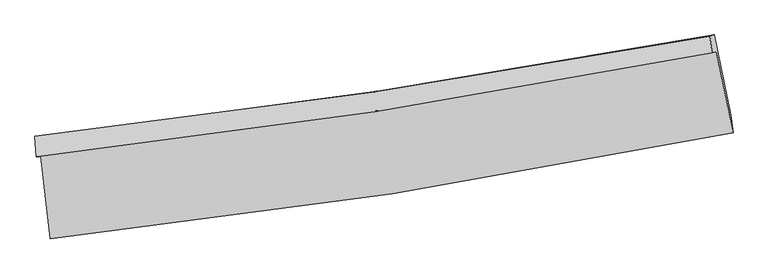
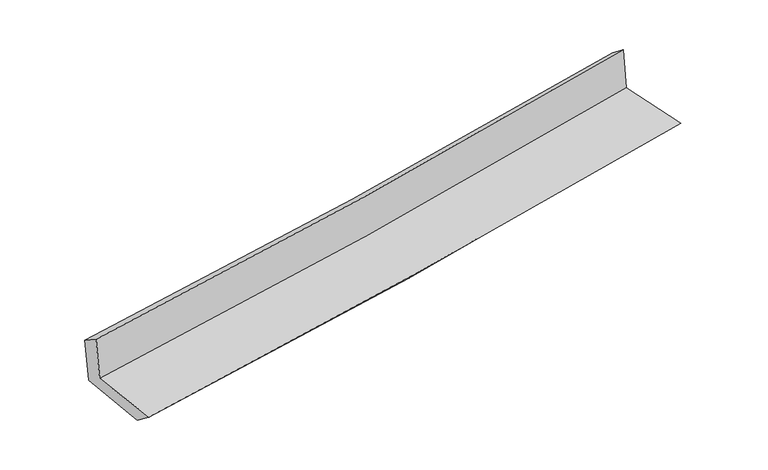
"""IFC4 building model written with IfcOpenShell, lengths in millimetres: proxy geometry."""

import ifcopenshell
import ifcopenshell.guid

model = None  # the IFC model being written
_history = None  # IfcOwnerHistory: only IFC2X3 demands one
_inside = {}  # id of a spatial element -> (the spatial element, [elements in it])
_under = {}  # id of a project, library or spatial element -> (it, [spatial elements below it])
_declared = {}  # id of a project -> (the project, [libraries it declares])
_typed = {}  # id of a type object -> (the type object, [elements of that type])
_made_of = {}  # id of a material, layer set ... -> (it, [elements and type objects made of it])


def new_model(schema):
    """Start an empty IFC model of exactly this schema.

    Asked for "IFC4X3", IfcOpenShell would pick the latest addendum, in which some entities
    have other attributes; the version numbers below select the first issue.
    IFC2X3 requires an IfcOwnerHistory on every rooted entity: one is made here for all.
    """
    global model, _history
    if schema == "IFC4X3":
        model = ifcopenshell.file(schema_version=(4, 3, 0, 0))
    else:
        model = ifcopenshell.file(schema=schema)
    _inside.clear()
    _under.clear()
    _declared.clear()
    _typed.clear()
    _made_of.clear()
    _history = None
    if model.schema == "IFC2X3":
        org = make("IfcOrganization", Name="unknown")
        user = make(
            "IfcPersonAndOrganization",
            ThePerson=make("IfcPerson", FamilyName="unknown"),
            TheOrganization=org,
        )
        app = make(
            "IfcApplication",
            ApplicationDeveloper=org,
            Version="unknown",
            ApplicationFullName="unknown",
            ApplicationIdentifier="unknown",
        )
        _history = make(
            "IfcOwnerHistory",
            OwningUser=user,
            OwningApplication=app,
            ChangeAction="ADDED",
            CreationDate=0,
        )
    return model


def make(cls, **values):
    """One entity of the class cls with the attributes given. An attribute that is None is left unset."""
    return model.create_entity(
        cls, **{name: value for name, value in values.items() if value is not None}
    )


def rooted(cls, **values):
    """An entity with a GlobalId (a new one), such as an element, a storey or a relation."""
    return make(cls, GlobalId=ifcopenshell.guid.new(), OwnerHistory=_history, **values)


def si_unit(unit_type, name, prefix=None):
    """IfcSIUnit, for example si_unit("LENGTHUNIT", "METRE", prefix="MILLI")."""
    return make("IfcSIUnit", UnitType=unit_type, Prefix=prefix, Name=name)


def assignment(units):
    """IfcUnitAssignment: the units of a project."""
    return None if units is None else make("IfcUnitAssignment", Units=units)


def point(xyz):
    """IfcCartesianPoint."""
    return None if xyz is None else make("IfcCartesianPoint", Coordinates=xyz)


def direction(xyz):
    """IfcDirection."""
    return None if xyz is None else make("IfcDirection", DirectionRatios=xyz)


def frame(location, z_axis=None, x_axis=None):
    """IfcAxis2Placement3D, a coordinate frame: its origin and axes. An axis left out is left unset."""
    return make(
        "IfcAxis2Placement3D",
        Location=point(location),
        Axis=direction(z_axis),
        RefDirection=direction(x_axis),
    )


def origin():
    """The frame at (0, 0, 0) with its axes left unset."""
    return frame((0.0, 0.0, 0.0))


def place(relative_to, where):
    """IfcLocalPlacement: puts the frame where relative to a parent placement (None: the world)."""
    return make(
        "IfcLocalPlacement", PlacementRelTo=relative_to, RelativePlacement=where
    )


def context(
    kind, dimensions, precision=None, world=None, true_north=None, identifier=None
):
    """IfcGeometricRepresentationContext, for example the 3D "Model" context."""
    return make(
        "IfcGeometricRepresentationContext",
        ContextIdentifier=identifier,
        ContextType=kind,
        CoordinateSpaceDimension=dimensions,
        Precision=precision,
        WorldCoordinateSystem=world,
        TrueNorth=true_north,
    )


def project(units=None, contexts=None):
    """IfcProject with its units and contexts."""
    return rooted(
        "IfcProject",
        Name="project",
        RepresentationContexts=contexts,
        UnitsInContext=assignment(units),
    )


def spatial(cls, under=None, at=None, **own):
    """A site, building, storey or space (cls), placed at a placement, below another one or the project."""
    s = rooted(cls, ObjectPlacement=at, **own)
    if under is not None:
        _under.setdefault(under.id(), (under, []))[1].append(s)
    return s


def shape(context_of_items, identifier, shape_type, items):
    """IfcShapeRepresentation: the items that make up one representation, for example the "Body"."""
    return make(
        "IfcShapeRepresentation",
        ContextOfItems=context_of_items,
        RepresentationIdentifier=identifier,
        RepresentationType=shape_type,
        Items=items,
    )


def source(mapping_origin, context_of_items, identifier, shape_type, items):
    """IfcRepresentationMap: a shape defined once, which mapped items show again and again."""
    return make(
        "IfcRepresentationMap",
        MappingOrigin=mapping_origin,
        MappedRepresentation=shape(context_of_items, identifier, shape_type, items),
    )


def transform(
    local_origin,
    x_axis=None,
    y_axis=None,
    z_axis=None,
    scale=None,
    scale2=None,
    scale3=None,
    uniform=True,
):
    """IfcCartesianTransformationOperator3D, or its non-uniform kind. x_axis, y_axis, z_axis: its Axis1, 2, 3."""
    if uniform:
        return make(
            "IfcCartesianTransformationOperator3D",
            Axis1=direction(x_axis),
            Axis2=direction(y_axis),
            LocalOrigin=point(local_origin),
            Scale=scale,
            Axis3=direction(z_axis),
        )
    return make(
        "IfcCartesianTransformationOperator3DnonUniform",
        Axis1=direction(x_axis),
        Axis2=direction(y_axis),
        LocalOrigin=point(local_origin),
        Scale=scale,
        Axis3=direction(z_axis),
        Scale2=scale2,
        Scale3=scale3,
    )


def mapped(mapping_source, mapping_target):
    """IfcMappedItem: shows the shape of a source again, moved by a transform."""
    return make(
        "IfcMappedItem", MappingSource=mapping_source, MappingTarget=mapping_target
    )


def made_of(thing, what):
    """Note that an element or type object is made of a material, layer set ...; save() writes the relation."""
    if what is not None:
        _made_of.setdefault(what.id(), (what, []))[1].append(thing)
    return thing


def element(
    cls,
    number,
    at=None,
    inside=None,
    cuts=None,
    type_object=None,
    material=None,
    context=None,
    identifier="Body",
    shape_type=None,
    held_by="IfcProductDefinitionShape",
    body=None,
    shapes=None,
    **own,
):
    """One element of the class cls, such as IfcWall. Its Tag is "e" and its number.

    at: its placement. inside: the storey or other place that contains it. cuts: it is an
    opening in that element (IfcRelVoidsElement). A single representation is given by context,
    identifier, shape_type and body (its items); several are given by shapes. held_by: the class
    of the entity that holds the representations. save() writes the other relations.
    """
    e = rooted(cls, Tag="e%d" % number, ObjectPlacement=at, **own)
    if body is not None:
        shapes = [shape(context, identifier, shape_type, body)]
    if shapes is not None:
        e.Representation = make(held_by, Representations=shapes)
    if inside is not None:
        _inside.setdefault(inside.id(), (inside, []))[1].append(e)
    if cuts is not None:
        rooted(
            "IfcRelVoidsElement", RelatingBuildingElement=cuts, RelatedOpeningElement=e
        )
    if type_object is not None:
        _typed.setdefault(type_object.id(), (type_object, []))[1].append(e)
    return made_of(e, material)


def aggregate(whole, parts):
    """IfcRelAggregates: a whole, such as a stair, and the parts it consists of."""
    return rooted("IfcRelAggregates", RelatingObject=whole, RelatedObjects=parts)


def save(model, path):
    """Write the relations noted so far, then the file.

    IfcRelAggregates (storeys below a building ...), IfcRelContainedInSpatialStructure (elements
    in a storey), IfcRelDefinesByType, IfcRelAssociatesMaterial and IfcRelDeclares: one each for
    every whole, place, type object, material and project.
    """
    for whole, parts in _under.values():
        aggregate(whole, parts)
    for where, things in _inside.values():
        rooted(
            "IfcRelContainedInSpatialStructure",
            RelatedElements=things,
            RelatingStructure=where,
        )
    for kind, things in _typed.values():
        rooted("IfcRelDefinesByType", RelatedObjects=things, RelatingType=kind)
    for what, things in _made_of.values():
        rooted("IfcRelAssociatesMaterial", RelatedObjects=things, RelatingMaterial=what)
    for by, libraries in _declared.values():
        rooted("IfcRelDeclares", RelatingContext=by, RelatedDefinitions=libraries)
    model.write(path)


def plane_surface(at):
    """IfcPlane: the flat surface through the origin of the frame at, square to its z axis."""
    return make("IfcPlane", Position=at)


def spline_curve(degree, points, multiplicities, knots, weights=None):
    """IfcBSplineCurveWithKnots; with weights, IfcRationalBSplineCurveWithKnots."""
    own = dict(
        Degree=degree,
        ControlPointsList=[point(p) for p in points],
        CurveForm="UNSPECIFIED",
        ClosedCurve=False,
        SelfIntersect=False,
        KnotMultiplicities=multiplicities,
        Knots=knots,
        KnotSpec="UNSPECIFIED",
    )
    if weights is None:
        return make("IfcBSplineCurveWithKnots", **own)
    return make("IfcRationalBSplineCurveWithKnots", WeightsData=weights, **own)


def spline_surface(u_degree, v_degree, points, u_multiplicities, v_multiplicities, u_knots, v_knots, weights=None):
    """IfcBSplineSurfaceWithKnots; with weights, IfcRationalBSplineSurfaceWithKnots. points: one row for each step in u."""
    own = dict(
        UDegree=u_degree,
        VDegree=v_degree,
        ControlPointsList=[[point(p) for p in row] for row in points],
        SurfaceForm="UNSPECIFIED",
        UClosed=False,
        VClosed=False,
        SelfIntersect=False,
        UMultiplicities=u_multiplicities,
        VMultiplicities=v_multiplicities,
        UKnots=u_knots,
        VKnots=v_knots,
        KnotSpec="UNSPECIFIED",
    )
    if weights is None:
        return make("IfcBSplineSurfaceWithKnots", **own)
    return make("IfcRationalBSplineSurfaceWithKnots", WeightsData=weights, **own)


def advanced_brep(points, edges, surfaces, faces):
    """IfcAdvancedBrep: a solid bounded by faces that lie on surfaces and meet in shared edges.

    An edge is (start, end): straight between two places in points (the first is 0);
    or (start, end, curve); or (start, end, curve, False) where it runs against its curve.
    A face is (place in surfaces, loops), or (place, loops, False) where it looks against
    its surface's normal. A loop lists edges by number (the first is 1), with a minus sign
    where the edge is run from its end to its start. The first loop is the outer one.
    """
    corners = [point(p) for p in points]
    vertices = [make("IfcVertexPoint", VertexGeometry=c) for c in corners]
    made = []
    for start, end, *more in edges:
        made.append(
            make(
                "IfcEdgeCurve",
                EdgeStart=vertices[start],
                EdgeEnd=vertices[end],
                EdgeGeometry=more[0] if more else make("IfcPolyline", Points=[corners[start], corners[end]]),
                SameSense=more[1] if len(more) > 1 else True,
            )
        )
    hull = []
    for where, loops, *sense in faces:
        bounds = []
        for j, loop in enumerate(loops):
            ring = [make("IfcOrientedEdge", EdgeElement=made[abs(k) - 1], Orientation=k > 0) for k in loop]
            bounds.append(
                make(
                    "IfcFaceOuterBound" if j == 0 else "IfcFaceBound",
                    Bound=make("IfcEdgeLoop", EdgeList=ring),
                    Orientation=True,
                )
            )
        hull.append(make("IfcAdvancedFace", Bounds=bounds, FaceSurface=surfaces[where], SameSense=sense[0] if sense else True))
    return make("IfcAdvancedBrep", Outer=make("IfcClosedShell", CfsFaces=hull))


def generic_models_d185eed1(model_context):
    return source(origin(), model_context, "Body", "AdvancedBrep", [
        advanced_brep(
        [(-2743.501891, -1906.8445372, 1651.3572102), (-2665.0391406, -2572.6751597, 1643.0881315), (2826.5673112, -1718.003379, 2125.1534544), (2691.5925835, -1066.2897754, 2128.239219), (-2778.8861025, -1910.9366209, 2055.5800498), (2657.5426528, -1075.2146023, 2523.7816987), (-2788.7465787, -1744.5683577, 1947.8076705), (2639.2076498, -940.6126919, 2419.2695465), (-2752.4240712, -1745.4116761, 1539.5029551), (2673.9054996, -931.5180389, 2016.2004883), (-2673.3945471, -2399.7411088, 1509.7115297), (2808.3981066, -1571.6324054, 1992.0101931)],
        [
            (0, 1),
            (1, 2, spline_curve(3, [(-2665.0391406, -2572.6751597, 1643.0881315), (-1745.594287198, -2471.800374364, 1736.185107192), (-828.897756085, -2350.273632889, 1822.856771659), (1001.653718916, -2065.503203132, 1983.582598708), (1915.492671723, -1902.139351148, 2057.59937483), (2826.5673112, -1718.003379, 2125.1534544)], [4, 2, 4], [0.0, 9.092737724486724, 18.21189022698266])),
            (2, 3),
            (3, 0, spline_curve(3, [(2691.5925835, -1066.2897754, 2128.239219), (1789.801263765, -1242.486659887, 2051.609317188), (885.320240739, -1400.706892609, 1973.494408251), (-926.393477251, -1680.787820731, 1814.525148367), (-1833.610612244, -1802.752508786, 1733.679387466), (-2743.501891, -1906.8445372, 1651.3572102)], [4, 2, 4], [0.0, 9.119152502495936, 18.21189022698266])),
            (4, 0),
            (3, 5),
            (5, 4, spline_curve(3, [(2657.5426528, -1075.2146023, 2523.7816987), (1755.688449806, -1252.295480048, 2449.023797499), (851.06451785, -1410.553170701, 2372.568994771), (-961.094422805, -1689.018287035, 2216.49196192), (-1868.613409521, -1809.334603092, 2136.879548663), (-2778.8861025, -1910.9366209, 2055.5800498)], [4, 2, 4], [0.0, 9.070847235184814, 18.115419614673634])),
            (6, 4),
            (5, 7),
            (7, 6, spline_curve(3, [(2639.2076498, -940.6126919, 2419.2695465), (1737.916131582, -1109.051803563, 2342.333984051), (834.281394984, -1260.33999746, 2264.519455558), (-975.050236508, -1528.226003763, 2107.360412496), (-1880.733575667, -1644.923031882, 2028.02098203), (-2788.7465787, -1744.5683577, 1947.8076705)], [4, 2, 4], [0.0, 9.060070951885713, 18.093898262942275])),
            (8, 6),
            (7, 9),
            (9, 8, spline_curve(3, [(2673.9054996, -931.5180389, 2016.2004883), (1772.298428625, -1098.305028043, 1940.647775026), (868.641925514, -1249.598926968, 1863.086096952), (-940.146453978, -1520.807180821, 1704.175297474), (-1845.266474094, -1640.811160799, 1622.837798034), (-2752.4240712, -1745.4116761, 1539.5029551)], [4, 2, 4], [0.0, 9.0494835628789, 18.0727541526393])),
            (10, 8),
            (9, 11),
            (11, 10, spline_curve(3, [(2808.3981066, -1571.6324054, 1992.0101931), (1900.725262204, -1759.324590635, 1914.892048896), (989.404930549, -1922.243954972, 1836.080674769), (-837.880387397, -2198.136881902, 1675.304658394), (-1753.824273706, -2311.253752189, 1593.349811567), (-2673.3945471, -2399.7411088, 1509.7115297)], [4, 2, 4], [0.0, 9.097668082605123, 18.168983619539176])),
            (1, 10),
            (11, 2),
        ],
        [
            spline_surface(3, 3, [[(-2743.501891, -1906.8445372, 1651.3572102), (-1833.610612269, -1802.752508738, 1733.679387391), (-926.393477125, -1680.787820744, 1814.525148218), (885.320240613, -1400.706892596, 1973.494408401), (1789.801263618, -1242.486660001, 2051.609317129), (2691.5925835, -1066.2897754, 2128.239219)], [(-2717.347640887, -2128.788078021, 1648.600850659), (-1804.271837295, -2025.768463915, 1734.514627303), (-893.894903482, -1903.94975811, 1817.302356092), (924.09806672, -1622.305662775, 1976.857138467), (1831.698399652, -1462.370890336, 2053.606003009), (2736.584159396, -1283.527643261, 2127.210630786)], [(-2691.193390713, -2350.731618879, 1645.844491041), (-1774.933062258, -2248.784419128, 1735.349867138), (-861.396329793, -2127.111695499, 1820.079563929), (962.875892874, -1843.904432977, 1980.219868497), (1873.595535696, -1682.255120688, 2055.60268893), (2781.575735304, -1500.765511139, 2126.182042614)], [(-2665.0391406, -2572.6751597, 1643.0881315), (-1745.594287283, -2471.800374304, 1736.18510705), (-828.89775615, -2350.273632866, 1822.856771803), (1001.653718982, -2065.503203156, 1983.582598564), (1915.49267173, -1902.139351023, 2057.599374811), (2826.5673112, -1718.003379, 2125.1534544)]], [4, 4], [4, 2, 4], [0.0, 2.2169097654521974], [0.0, 9.092737724486724, 18.21189022698266]),
            spline_surface(3, 3, [[(-2778.8861025, -1910.9366209, 2055.5800498), (-1868.613409509, -1809.334602964, 2136.879548584), (-961.094422951, -1689.018287184, 2216.491962015), (851.064517996, -1410.553170551, 2372.568994676), (1755.688449844, -1252.295480093, 2449.023797508), (2657.5426528, -1075.2146023, 2523.7816987)], [(-2767.091365313, -1909.57259301, 1920.839103262), (-1856.945810409, -1807.140571566, 2002.479494848), (-949.527441015, -1686.274798371, 2082.503024064), (862.483092196, -1407.271077901, 2239.544132565), (1767.059387784, -1249.025873381, 2316.552304048), (2668.892629715, -1072.239659986, 2391.934205466)], [(-2755.296628187, -1908.20856509, 1786.098156738), (-1845.278211369, -1804.946540137, 1868.079441126), (-937.960459061, -1683.531309556, 1948.514086169), (873.901666413, -1403.988985247, 2106.519270511), (1778.430325678, -1245.756266712, 2184.080810589), (2680.242606585, -1069.264717714, 2260.086712234)], [(-2743.501891, -1906.8445372, 1651.3572102), (-1833.610612269, -1802.752508738, 1733.679387391), (-926.393477125, -1680.787820744, 1814.525148218), (885.320240613, -1400.706892596, 1973.494408401), (1789.801263618, -1242.486660001, 2051.609317129), (2691.5925835, -1066.2897754, 2128.239219)]], [4, 4], [4, 2, 4], [0.0, 1.319223703684753], [0.0, 9.04457237948882, 18.115419614673634]),
            spline_surface(3, 3, [[(-2788.7465787, -1744.5683577, 1947.8076705), (-1880.73357578, -1644.923031844, 2028.020982106), (-975.05023646, -1528.226003741, 2107.360412355), (834.281394937, -1260.339997482, 2264.519455699), (1737.916131719, -1109.051803703, 2342.333984157), (2639.2076498, -940.6126919, 2419.2695465)], [(-2785.459753297, -1800.024445412, 1983.731796916), (-1876.693520354, -1699.726888863, 2064.307170915), (-970.398298624, -1581.823431556, 2143.737595584), (839.875769289, -1310.411055173, 2300.5359687), (1743.840237744, -1156.799695857, 2377.897255296), (2645.31931745, -985.479995391, 2454.106930589)], [(-2782.172927903, -1855.480533188, 2019.655923384), (-1872.653464936, -1754.530745945, 2100.593359775), (-965.746360787, -1635.420859369, 2180.114778787), (845.470143643, -1360.482112861, 2336.552481675), (1749.764343819, -1204.547587939, 2413.460526369), (2651.43098515, -1030.347298809, 2488.944314611)], [(-2778.8861025, -1910.9366209, 2055.5800498), (-1868.613409509, -1809.334602964, 2136.879548584), (-961.094422951, -1689.018287184, 2216.491962015), (851.064517996, -1410.553170551, 2372.568994676), (1755.688449844, -1252.295480093, 2449.023797508), (2657.5426528, -1075.2146023, 2523.7816987)]], [4, 4], [4, 2, 4], [0.0, 0.6242588681430159], [0.0, 9.033827311056562, 18.093898262942275]),
            spline_surface(3, 3, [[(-2752.4240712, -1745.4116761, 1539.5029551), (-1845.26647421, -1640.81116078, 1622.83779794), (-940.146453867, -1520.807180738, 1704.175297544), (868.641925402, -1249.598927052, 1863.086096882), (1772.298428689, -1098.305028054, 1940.647774972), (2673.9054996, -931.5180389, 2016.2004883)], [(-2764.531573717, -1745.13056997, 1675.604526915), (-1857.088841417, -1642.181784472, 1757.898859343), (-951.78104807, -1523.28012174, 1838.570335807), (857.188415242, -1253.179283863, 1996.89721648), (1760.837663063, -1101.887286595, 2074.543178009), (2662.339549697, -934.549589891, 2150.556841009)], [(-2776.639076183, -1744.84946383, 1811.706098685), (-1868.911208573, -1643.552408152, 1892.959920702), (-963.415642257, -1525.753062739, 1972.965374093), (845.734905097, -1256.759640671, 2130.708336101), (1749.376897345, -1105.469545162, 2208.43858112), (2650.773599703, -937.581140909, 2284.913193791)], [(-2788.7465787, -1744.5683577, 1947.8076705), (-1880.73357578, -1644.923031844, 2028.020982106), (-975.05023646, -1528.226003741, 2107.360412355), (834.281394937, -1260.339997482, 2264.519455699), (1737.916131719, -1109.051803703, 2342.333984157), (2639.2076498, -940.6126919, 2419.2695465)]], [4, 4], [4, 2, 4], [0.0, 1.3251204218701065], [0.0, 9.023270589760399, 18.0727541526393]),
            spline_surface(3, 3, [[(-2673.3945471, -2399.7411088, 1509.7115297), (-1753.824273688, -2311.253752319, 1593.349811432), (-837.880387469, -2198.136881984, 1675.304658458), (989.404930621, -1922.24395489, 1836.080674704), (1900.725262348, -1759.324590736, 1914.89204879), (2808.3981066, -1571.6324054, 1992.0101931)], [(-2699.737721807, -2181.631297914, 1519.642004832), (-1784.305007202, -2087.772888486, 1603.179140267), (-871.96907627, -1972.360314903, 1684.928204847), (949.150595546, -1698.028945612, 1845.082482123), (1857.916317796, -1538.984736498, 1923.477290858), (2763.567237601, -1358.260949889, 2000.073624841)], [(-2726.080896493, -1963.521486986, 1529.572479968), (-1814.785740695, -1864.292024612, 1613.008469105), (-906.057765065, -1746.583747819, 1694.551751156), (908.896260477, -1473.813936331, 1854.084289463), (1815.107373241, -1318.644882292, 1932.062532904), (2718.736368599, -1144.889494411, 2008.137056559)], [(-2752.4240712, -1745.4116761, 1539.5029551), (-1845.26647421, -1640.81116078, 1622.83779794), (-940.146453867, -1520.807180738, 1704.175297544), (868.641925402, -1249.598927052, 1863.086096882), (1772.298428689, -1098.305028054, 1940.647774972), (2673.9054996, -931.5180389, 2016.2004883)]], [4, 4], [4, 2, 4], [0.0, 2.2464065452879476], [0.0, 9.071315536934053, 18.168983619539176]),
            spline_surface(3, 3, [[(-2665.0391406, -2572.6751597, 1643.0881315), (-1745.594287283, -2471.800374304, 1736.18510705), (-828.89775615, -2350.273632866, 1822.856771803), (1001.653718982, -2065.503203156, 1983.582598564), (1915.49267173, -1902.139351023, 2057.599374811), (2826.5673112, -1718.003379, 2125.1534544)], [(-2667.824276078, -2515.030476072, 1598.629264215), (-1748.337616063, -2418.284833648, 1688.573341826), (-831.89196656, -2299.561382576, 1773.672734001), (997.570789557, -2017.750120405, 1934.415290589), (1910.570201909, -1854.534430942, 2010.030266147), (2820.51090964, -1669.213054481, 2080.77236731)], [(-2670.609411622, -2457.385792428, 1554.170396985), (-1751.080944908, -2364.769292975, 1640.961576656), (-834.886177058, -2248.849132274, 1724.488696261), (993.487860045, -1969.997037642, 1885.247982678), (1905.647732169, -1806.929510817, 1962.461157454), (2814.45450816, -1620.422729919, 2036.39128019)], [(-2673.3945471, -2399.7411088, 1509.7115297), (-1753.824273688, -2311.253752319, 1593.349811432), (-837.880387469, -2198.136881984, 1675.304658458), (989.404930621, -1922.24395489, 1836.080674704), (1900.725262348, -1759.324590736, 1914.89204879), (2808.3981066, -1571.6324054, 1992.0101931)]], [4, 4], [4, 2, 4], [0.0, 0.6857495995944567], [0.0, 9.130136292736767, 18.28679600786556]),
            plane_surface(frame((2716.2023006, -1217.2118155, 2200.7757667), z_axis=(0.9754585210376808, 0.2016055738485923, 0.08852042887469844), x_axis=(-0.08574526719118768, -0.02247469096336095, 0.9960635709734662))),
            plane_surface(frame((-2733.6653885, -2046.6962434, 1724.5079245), z_axis=(-0.989420697654857, -0.1155050699024963, -0.08777962109166473), x_axis=(-0.11702321224959365, 0.9930526003655858, 0.012332911332484969))),
        ],
        [
            (0, [[1, 2, 3, 4]]),
            (1, [[5, -4, 6, 7]]),
            (2, [[8, -7, 9, 10]]),
            (3, [[11, -10, 12, 13]]),
            (4, [[14, -13, 15, 16]]),
            (5, [[17, -16, 18, -2]]),
            (6, [[-12, -9, -6, -3, -18, -15]]),
            (7, [[-1, -5, -8, -11, -14, -17]]),
        ],
    ),
    ])


if __name__ == "__main__":
    model = new_model("IFC4")
    model_context = context("Model", 3, world=origin())
    ifc_project = project(units=[si_unit("LENGTHUNIT", "METRE", prefix="MILLI")], contexts=[model_context])
    site = spatial("IfcSite", under=ifc_project)
    building = spatial("IfcBuilding", under=site)
    placement = place(None, origin())
    generic_models_shape = generic_models_d185eed1(model_context)
    element("IfcBuildingElementProxy", 1, Name="Generic Models", at=placement, inside=building, context=model_context, shape_type="MappedRepresentation", body=[
        mapped(generic_models_shape, transform((0.0, 0.0, 0.0), x_axis=(1.0, 0.0, 0.0), y_axis=(0.0, 1.0, 0.0), z_axis=(0.0, 0.0, 1.0))),
    ])
    save(model, "model.ifc")
